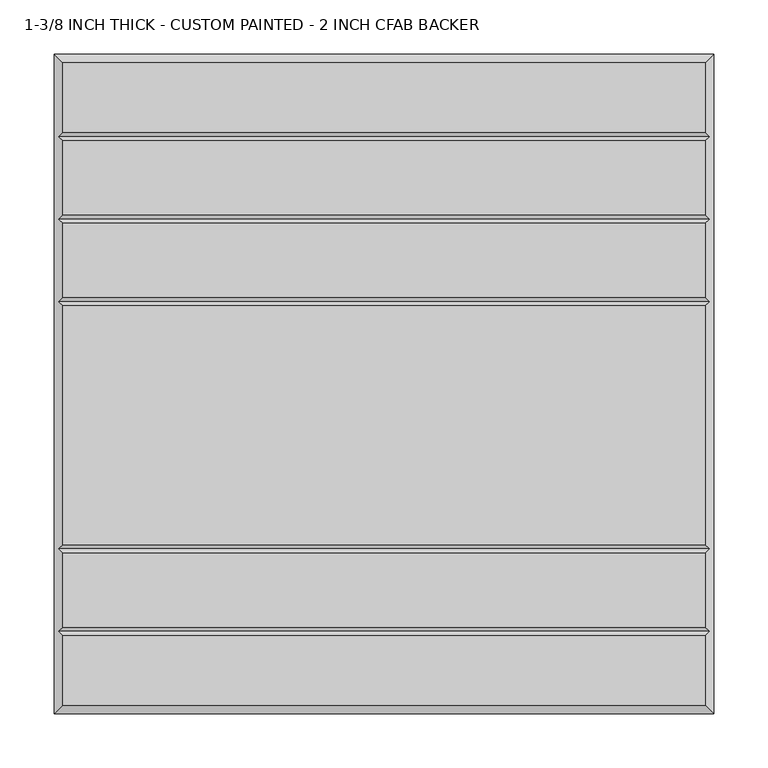
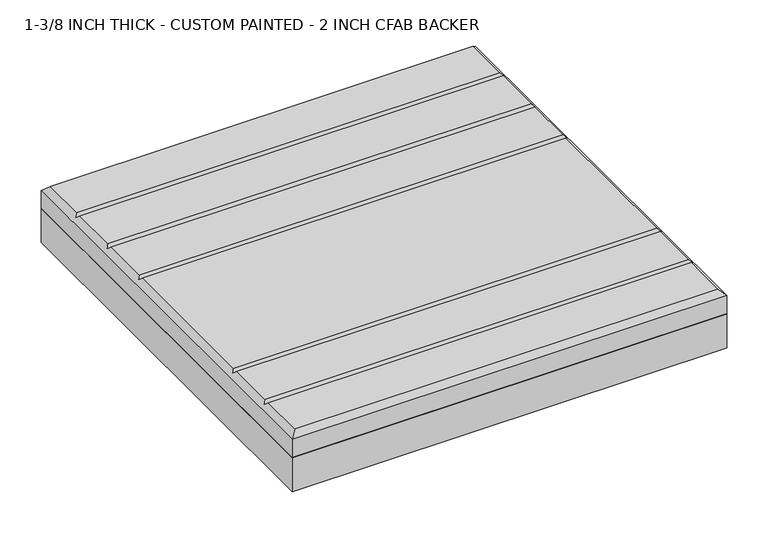
"""IFC4 building model written with IfcOpenShell, lengths in millimetres: proxy geometry, 1-3/8 INCH THICK - CUSTOM PAINTED - 2 INCH CFAB BACKER."""

from ifc_helpers import new_model, si_unit, frame, origin, place, context, project, spatial, polyline, outline, extrude, faceted_brep, source, transform, mapped, element, save


def proxy_1_3_8_inch_thick_custom_painted_2_inch_cfab_backer_39f667c9(model_context):
    return source(origin(), model_context, "Body", "SolidModel", [
        extrude(outline(polyline([(-304.8, 304.8), (304.8, 304.8), (304.8, -304.8), (-304.8, -304.8), (-304.8, 304.8)])), frame((0.0, 0.0, -50.8), z_axis=(0.0, 0.0, 1.0), x_axis=(1.0, 0.0, 0.0)), (0.0, 0.0, 1.0), 50.8),
        faceted_brep([(296.799, 296.799, 34.925), (-296.799, 296.799, 34.925), (-296.799, 232.6005, 34.925), (296.799, 232.6005, 34.925), (-296.799, -296.799, 34.925), (296.799, -296.799, 34.925), (296.799, -232.6005, 34.925), (-296.799, -232.6005, 34.925), (296.799, 148.3995, 34.925), (-296.799, 148.3995, 34.925), (-296.799, 80.2005, 34.925), (296.799, 80.2005, 34.925), (-296.799, 156.4005, 34.925), (296.799, 156.4005, 34.925), (296.799, 224.5995, 34.925), (-296.799, 224.5995, 34.925), (296.799, 72.1995, 34.925), (-296.799, 72.1995, 34.925), (-296.799, -148.3995, 34.925), (296.799, -148.3995, 34.925), (296.799, -156.4005, 34.925), (-296.799, -156.4005, 34.925), (-296.799, -224.5995, 34.925), (296.799, -224.5995, 34.925), (-304.8, 304.8, 0.0), (304.8, 304.8, 0.0), (304.8, -304.8, 0.0), (-304.8, -304.8, 0.0), (-304.8, -304.8, 26.924), (-304.8, 304.8, 26.924), (304.8, -304.8, 26.924), (304.8, 304.8, 26.924), (-300.7995, -228.6, 30.9245), (-300.7995, -152.4, 30.9245), (-300.7995, 76.2, 30.9245), (-300.7995, 152.4, 30.9245), (-300.7995, 228.6, 30.9245), (300.7995, 228.6, 30.9245), (300.7995, 152.4, 30.9245), (300.7995, 76.2, 30.9245), (300.7995, -152.4, 30.9245), (300.7995, -228.6, 30.9245)], [[[0, 1, 2, 3]], [[4, 5, 6, 7]], [[8, 9, 10, 11]], [[12, 13, 14, 15]], [[16, 17, 18, 19]], [[20, 21, 22, 23]], [[24, 25, 26, 27]], [[24, 27, 28, 29]], [[27, 26, 30, 28]], [[26, 25, 31, 30]], [[25, 24, 29, 31]], [[29, 1, 0, 31]], [[1, 29, 28, 4, 7, 32, 22, 21, 33, 18, 17, 34, 10, 9, 35, 12, 15, 36, 2]], [[4, 28, 30, 5]], [[31, 0, 3, 37, 14, 13, 38, 8, 11, 39, 16, 19, 40, 20, 23, 41, 6, 5, 30]], [[38, 35, 9, 8]], [[35, 38, 13, 12]], [[39, 34, 17, 16]], [[34, 39, 11, 10]], [[40, 33, 21, 20]], [[33, 40, 19, 18]], [[41, 32, 7, 6]], [[32, 41, 23, 22]], [[37, 36, 15, 14]], [[36, 37, 3, 2]]]),
    ])


if __name__ == "__main__":
    model = new_model("IFC4")
    model_context = context("Model", 3, world=origin())
    ifc_project = project(units=[si_unit("LENGTHUNIT", "METRE", prefix="MILLI")], contexts=[model_context])
    site = spatial("IfcSite", under=ifc_project)
    building = spatial("IfcBuilding", under=site)
    placement = place(None, origin())
    proxy_1_3_8_inch_thick_custom_painted_2_inch_cfab_backer_shape = proxy_1_3_8_inch_thick_custom_painted_2_inch_cfab_backer_39f667c9(model_context)
    element("IfcBuildingElementProxy", 1, Name="1-3/8 INCH THICK - CUSTOM PAINTED - 2 INCH CFAB BACKER", ObjectType="1-3/8 INCH THICK - CUSTOM PAINTED - 2 INCH CFAB BACKER", at=placement, inside=building, context=model_context, shape_type="MappedRepresentation", body=[
        mapped(proxy_1_3_8_inch_thick_custom_painted_2_inch_cfab_backer_shape, transform((0.0, 0.0, 0.0), x_axis=(1.0, 0.0, 0.0), y_axis=(0.0, 1.0, 0.0), z_axis=(0.0, 0.0, 1.0))),
    ])
    save(model, "model.ifc")
